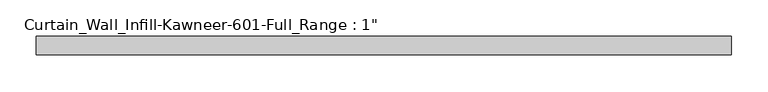
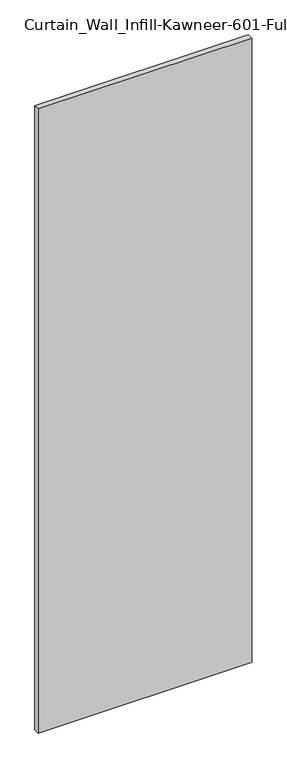
"""IFC4 building model written with IfcOpenShell, lengths in millimetres: plate geometry."""

from ifc_helpers import new_model, si_unit, origin, origin_with_axes, place, context, project, spatial, polyline, outline, extrude, source, transform, mapped, element, save


def plate_433463b5(model_context):
    return source(origin(), model_context, "Body", "SweptSolid", [
        extrude(outline(polyline([(-477.8375, -12.7), (-477.8375, 12.7), (477.8375, 12.7), (477.8375, -12.7), (-477.8375, -12.7)])), origin_with_axes(), (0.0, 0.0, 1.0), 2952.75),
    ])


if __name__ == "__main__":
    model = new_model("IFC4")
    model_context = context("Model", 3, world=origin())
    ifc_project = project(units=[si_unit("LENGTHUNIT", "METRE", prefix="MILLI")], contexts=[model_context])
    site = spatial("IfcSite", under=ifc_project)
    building = spatial("IfcBuilding", under=site)
    placement = place(None, origin())
    plate_shape = plate_433463b5(model_context)
    element("IfcPlate", 1, ObjectType="Curtain_Wall_Infill-Kawneer-601-Full_Range : 1\"", at=placement, inside=building, context=model_context, shape_type="MappedRepresentation", body=[
        mapped(plate_shape, transform((0.0, 0.0, 0.0), x_axis=(1.0, 0.0, 0.0), y_axis=(0.0, 1.0, 0.0), z_axis=(0.0, 0.0, 1.0))),
    ])
    save(model, "model.ifc")
